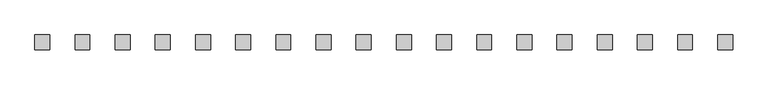
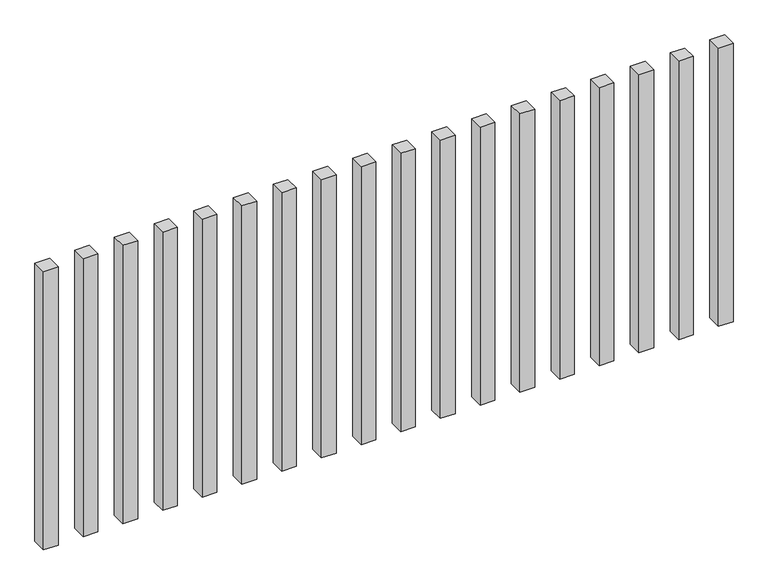
"""IFC4 building model written with IfcOpenShell, lengths in millimetres: railing geometry."""

from ifc_helpers import new_model, si_unit, origin, origin_with_axes, place, context, project, spatial, polyline, outline, extrude, source, transform, mapped, element, save


def railing_02181c91(model_context):
    return source(origin(), model_context, "Body", "SweptSolid", [
        extrude(outline(polyline([(-10707.5700772, -99454.0267127), (-10707.5700772, -99404.0267127), (-10657.5700772, -99404.0267127), (-10657.5700772, -99454.0267127), (-10707.5700772, -99454.0267127)])), origin_with_axes(), (0.0, 0.0, 1.0), 1000.0),
        extrude(outline(polyline([(-10842.5700772, -99454.0267127), (-10842.5700772, -99404.0267127), (-10792.5700772, -99404.0267127), (-10792.5700772, -99454.0267127), (-10842.5700772, -99454.0267127)])), origin_with_axes(), (0.0, 0.0, 1.0), 1000.0),
        extrude(outline(polyline([(-10977.5700772, -99454.0267127), (-10977.5700772, -99404.0267127), (-10927.5700772, -99404.0267127), (-10927.5700772, -99454.0267127), (-10977.5700772, -99454.0267127)])), origin_with_axes(), (0.0, 0.0, 1.0), 1000.0),
        extrude(outline(polyline([(-11112.5700772, -99454.0267127), (-11112.5700772, -99404.0267127), (-11062.5700772, -99404.0267127), (-11062.5700772, -99454.0267127), (-11112.5700772, -99454.0267127)])), origin_with_axes(), (0.0, 0.0, 1.0), 1000.0),
        extrude(outline(polyline([(-11247.5700772, -99454.0267127), (-11247.5700772, -99404.0267127), (-11197.5700772, -99404.0267127), (-11197.5700772, -99454.0267127), (-11247.5700772, -99454.0267127)])), origin_with_axes(), (0.0, 0.0, 1.0), 1000.0),
        extrude(outline(polyline([(-11382.5700772, -99454.0267127), (-11382.5700772, -99404.0267127), (-11332.5700772, -99404.0267127), (-11332.5700772, -99454.0267127), (-11382.5700772, -99454.0267127)])), origin_with_axes(), (0.0, 0.0, 1.0), 1000.0),
        extrude(outline(polyline([(-11517.5700772, -99454.0267127), (-11517.5700772, -99404.0267127), (-11467.5700772, -99404.0267127), (-11467.5700772, -99454.0267127), (-11517.5700772, -99454.0267127)])), origin_with_axes(), (0.0, 0.0, 1.0), 1000.0),
        extrude(outline(polyline([(-11652.5700772, -99454.0267127), (-11652.5700772, -99404.0267127), (-11602.5700772, -99404.0267127), (-11602.5700772, -99454.0267127), (-11652.5700772, -99454.0267127)])), origin_with_axes(), (0.0, 0.0, 1.0), 1000.0),
        extrude(outline(polyline([(-11787.5700772, -99454.0267127), (-11787.5700772, -99404.0267127), (-11737.5700772, -99404.0267127), (-11737.5700772, -99454.0267127), (-11787.5700772, -99454.0267127)])), origin_with_axes(), (0.0, 0.0, 1.0), 1000.0),
        extrude(outline(polyline([(-11922.5700772, -99454.0267127), (-11922.5700772, -99404.0267127), (-11872.5700772, -99404.0267127), (-11872.5700772, -99454.0267127), (-11922.5700772, -99454.0267127)])), origin_with_axes(), (0.0, 0.0, 1.0), 1000.0),
        extrude(outline(polyline([(-12057.5700772, -99454.0267127), (-12057.5700772, -99404.0267127), (-12007.5700772, -99404.0267127), (-12007.5700772, -99454.0267127), (-12057.5700772, -99454.0267127)])), origin_with_axes(), (0.0, 0.0, 1.0), 1000.0),
        extrude(outline(polyline([(-12192.5700772, -99454.0267127), (-12192.5700772, -99404.0267127), (-12142.5700772, -99404.0267127), (-12142.5700772, -99454.0267127), (-12192.5700772, -99454.0267127)])), origin_with_axes(), (0.0, 0.0, 1.0), 1000.0),
        extrude(outline(polyline([(-12327.5700772, -99454.0267127), (-12327.5700772, -99404.0267127), (-12277.5700772, -99404.0267127), (-12277.5700772, -99454.0267127), (-12327.5700772, -99454.0267127)])), origin_with_axes(), (0.0, 0.0, 1.0), 1000.0),
        extrude(outline(polyline([(-12462.5700772, -99454.0267127), (-12462.5700772, -99404.0267127), (-12412.5700772, -99404.0267127), (-12412.5700772, -99454.0267127), (-12462.5700772, -99454.0267127)])), origin_with_axes(), (0.0, 0.0, 1.0), 1000.0),
        extrude(outline(polyline([(-12597.5700772, -99454.0267127), (-12597.5700772, -99404.0267127), (-12547.5700772, -99404.0267127), (-12547.5700772, -99454.0267127), (-12597.5700772, -99454.0267127)])), origin_with_axes(), (0.0, 0.0, 1.0), 1000.0),
        extrude(outline(polyline([(-12732.5700772, -99454.0267127), (-12732.5700772, -99404.0267127), (-12682.5700772, -99404.0267127), (-12682.5700772, -99454.0267127), (-12732.5700772, -99454.0267127)])), origin_with_axes(), (0.0, 0.0, 1.0), 1000.0),
        extrude(outline(polyline([(-12867.5700772, -99454.0267127), (-12867.5700772, -99404.0267127), (-12817.5700772, -99404.0267127), (-12817.5700772, -99454.0267127), (-12867.5700772, -99454.0267127)])), origin_with_axes(), (0.0, 0.0, 1.0), 1000.0),
        extrude(outline(polyline([(-13002.5700772, -99454.0267127), (-13002.5700772, -99404.0267127), (-12952.5700772, -99404.0267127), (-12952.5700772, -99454.0267127), (-13002.5700772, -99454.0267127)])), origin_with_axes(), (0.0, 0.0, 1.0), 1000.0),
    ])


if __name__ == "__main__":
    model = new_model("IFC4")
    model_context = context("Model", 3, world=origin())
    ifc_project = project(units=[si_unit("LENGTHUNIT", "METRE", prefix="MILLI")], contexts=[model_context])
    site = spatial("IfcSite", under=ifc_project)
    building = spatial("IfcBuilding", under=site)
    placement = place(None, origin())
    railing_shape = railing_02181c91(model_context)
    element("IfcRailing", 1, at=placement, inside=building, context=model_context, shape_type="MappedRepresentation", body=[
        mapped(railing_shape, transform((0.0, 0.0, 0.0), x_axis=(1.0, 0.0, 0.0), y_axis=(0.0, 1.0, 0.0), z_axis=(0.0, 0.0, 1.0))),
    ])
    save(model, "model.ifc")
